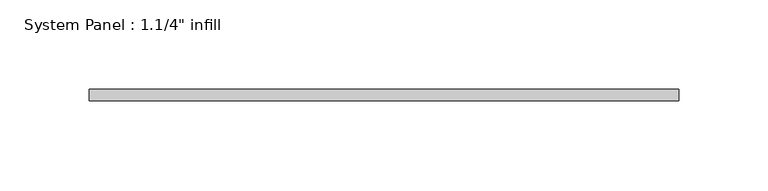
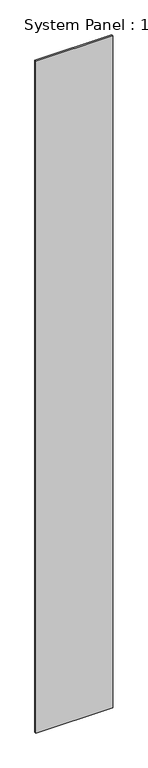
"""IFC4 building model written with IfcOpenShell, lengths in millimetres: plate geometry."""

from ifc_helpers import new_model, si_unit, origin, origin_with_axes, place, context, project, spatial, polyline, outline, extrude, source, transform, mapped, element, save


def plate_e68e44cd(model_context):
    return source(origin(), model_context, "Body", "SweptSolid", [
        extrude(outline(polyline([(165.0951187, -6.2507813), (-165.0951187, -6.2507813), (-165.0951187, 0.0992187), (165.0951187, 0.0992187), (165.0951187, -6.2507813)])), origin_with_axes(), (0.0, 0.0, 1.0), 3048.0),
    ])


if __name__ == "__main__":
    model = new_model("IFC4")
    model_context = context("Model", 3, world=origin())
    ifc_project = project(units=[si_unit("LENGTHUNIT", "METRE", prefix="MILLI")], contexts=[model_context])
    site = spatial("IfcSite", under=ifc_project)
    building = spatial("IfcBuilding", under=site)
    placement = place(None, origin())
    plate_shape = plate_e68e44cd(model_context)
    element("IfcPlate", 1, ObjectType="System Panel : 1.1/4\" infill", at=placement, inside=building, context=model_context, shape_type="MappedRepresentation", body=[
        mapped(plate_shape, transform((0.0, 0.0, 0.0), x_axis=(1.0, 0.0, 0.0), y_axis=(0.0, 1.0, 0.0), z_axis=(0.0, 0.0, 1.0))),
    ])
    save(model, "model.ifc")
